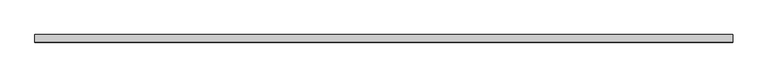
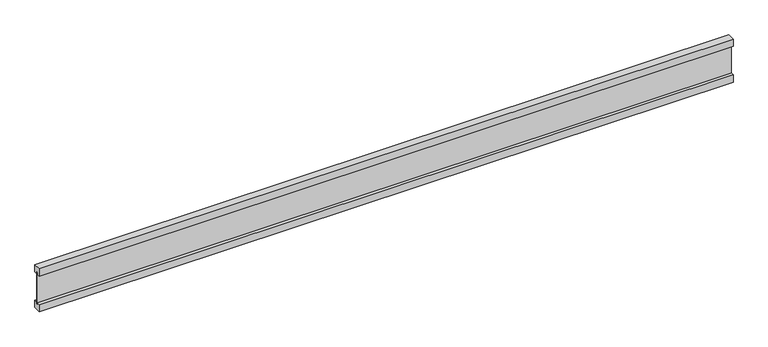
"""IFC4 building model written with IfcOpenShell, lengths in millimetres: proxy geometry."""

import ifcopenshell
import ifcopenshell.guid

model = None  # the IFC model being written
_history = None  # IfcOwnerHistory: only IFC2X3 demands one
_inside = {}  # id of a spatial element -> (the spatial element, [elements in it])
_under = {}  # id of a project, library or spatial element -> (it, [spatial elements below it])
_declared = {}  # id of a project -> (the project, [libraries it declares])
_typed = {}  # id of a type object -> (the type object, [elements of that type])
_made_of = {}  # id of a material, layer set ... -> (it, [elements and type objects made of it])


def new_model(schema):
    """Start an empty IFC model of exactly this schema.

    Asked for "IFC4X3", IfcOpenShell would pick the latest addendum, in which some entities
    have other attributes; the version numbers below select the first issue.
    IFC2X3 requires an IfcOwnerHistory on every rooted entity: one is made here for all.
    """
    global model, _history
    if schema == "IFC4X3":
        model = ifcopenshell.file(schema_version=(4, 3, 0, 0))
    else:
        model = ifcopenshell.file(schema=schema)
    _inside.clear()
    _under.clear()
    _declared.clear()
    _typed.clear()
    _made_of.clear()
    _history = None
    if model.schema == "IFC2X3":
        org = make("IfcOrganization", Name="unknown")
        user = make(
            "IfcPersonAndOrganization",
            ThePerson=make("IfcPerson", FamilyName="unknown"),
            TheOrganization=org,
        )
        app = make(
            "IfcApplication",
            ApplicationDeveloper=org,
            Version="unknown",
            ApplicationFullName="unknown",
            ApplicationIdentifier="unknown",
        )
        _history = make(
            "IfcOwnerHistory",
            OwningUser=user,
            OwningApplication=app,
            ChangeAction="ADDED",
            CreationDate=0,
        )
    return model


def make(cls, **values):
    """One entity of the class cls with the attributes given. An attribute that is None is left unset."""
    return model.create_entity(
        cls, **{name: value for name, value in values.items() if value is not None}
    )


def rooted(cls, **values):
    """An entity with a GlobalId (a new one), such as an element, a storey or a relation."""
    return make(cls, GlobalId=ifcopenshell.guid.new(), OwnerHistory=_history, **values)


def si_unit(unit_type, name, prefix=None):
    """IfcSIUnit, for example si_unit("LENGTHUNIT", "METRE", prefix="MILLI")."""
    return make("IfcSIUnit", UnitType=unit_type, Prefix=prefix, Name=name)


def assignment(units):
    """IfcUnitAssignment: the units of a project."""
    return None if units is None else make("IfcUnitAssignment", Units=units)


def point(xyz):
    """IfcCartesianPoint."""
    return None if xyz is None else make("IfcCartesianPoint", Coordinates=xyz)


def direction(xyz):
    """IfcDirection."""
    return None if xyz is None else make("IfcDirection", DirectionRatios=xyz)


def frame(location, z_axis=None, x_axis=None):
    """IfcAxis2Placement3D, a coordinate frame: its origin and axes. An axis left out is left unset."""
    return make(
        "IfcAxis2Placement3D",
        Location=point(location),
        Axis=direction(z_axis),
        RefDirection=direction(x_axis),
    )


def origin():
    """The frame at (0, 0, 0) with its axes left unset."""
    return frame((0.0, 0.0, 0.0))


def place(relative_to, where):
    """IfcLocalPlacement: puts the frame where relative to a parent placement (None: the world)."""
    return make(
        "IfcLocalPlacement", PlacementRelTo=relative_to, RelativePlacement=where
    )


def context(
    kind, dimensions, precision=None, world=None, true_north=None, identifier=None
):
    """IfcGeometricRepresentationContext, for example the 3D "Model" context."""
    return make(
        "IfcGeometricRepresentationContext",
        ContextIdentifier=identifier,
        ContextType=kind,
        CoordinateSpaceDimension=dimensions,
        Precision=precision,
        WorldCoordinateSystem=world,
        TrueNorth=true_north,
    )


def project(units=None, contexts=None):
    """IfcProject with its units and contexts."""
    return rooted(
        "IfcProject",
        Name="project",
        RepresentationContexts=contexts,
        UnitsInContext=assignment(units),
    )


def spatial(cls, under=None, at=None, **own):
    """A site, building, storey or space (cls), placed at a placement, below another one or the project."""
    s = rooted(cls, ObjectPlacement=at, **own)
    if under is not None:
        _under.setdefault(under.id(), (under, []))[1].append(s)
    return s


def polyline(points):
    """IfcPolyline through the points."""
    return make("IfcPolyline", Points=[point(p) for p in points])


def outline(outer, holes=None, kind="AREA"):
    """IfcArbitraryClosedProfileDef: a profile drawn as a closed curve; with holes, ...WithVoids."""
    if holes is None:
        return make("IfcArbitraryClosedProfileDef", ProfileType=kind, OuterCurve=outer)
    return make(
        "IfcArbitraryProfileDefWithVoids",
        ProfileType=kind,
        OuterCurve=outer,
        InnerCurves=holes,
    )


def extrude(swept, where, along, depth):
    """IfcExtrudedAreaSolid: the profile swept, set in the frame where, extruded along a direction by depth."""
    return make(
        "IfcExtrudedAreaSolid",
        SweptArea=swept,
        Position=where,
        ExtrudedDirection=direction(along),
        Depth=depth,
    )


def shape(context_of_items, identifier, shape_type, items):
    """IfcShapeRepresentation: the items that make up one representation, for example the "Body"."""
    return make(
        "IfcShapeRepresentation",
        ContextOfItems=context_of_items,
        RepresentationIdentifier=identifier,
        RepresentationType=shape_type,
        Items=items,
    )


def source(mapping_origin, context_of_items, identifier, shape_type, items):
    """IfcRepresentationMap: a shape defined once, which mapped items show again and again."""
    return make(
        "IfcRepresentationMap",
        MappingOrigin=mapping_origin,
        MappedRepresentation=shape(context_of_items, identifier, shape_type, items),
    )


def transform(
    local_origin,
    x_axis=None,
    y_axis=None,
    z_axis=None,
    scale=None,
    scale2=None,
    scale3=None,
    uniform=True,
):
    """IfcCartesianTransformationOperator3D, or its non-uniform kind. x_axis, y_axis, z_axis: its Axis1, 2, 3."""
    if uniform:
        return make(
            "IfcCartesianTransformationOperator3D",
            Axis1=direction(x_axis),
            Axis2=direction(y_axis),
            LocalOrigin=point(local_origin),
            Scale=scale,
            Axis3=direction(z_axis),
        )
    return make(
        "IfcCartesianTransformationOperator3DnonUniform",
        Axis1=direction(x_axis),
        Axis2=direction(y_axis),
        LocalOrigin=point(local_origin),
        Scale=scale,
        Axis3=direction(z_axis),
        Scale2=scale2,
        Scale3=scale3,
    )


def mapped(mapping_source, mapping_target):
    """IfcMappedItem: shows the shape of a source again, moved by a transform."""
    return make(
        "IfcMappedItem", MappingSource=mapping_source, MappingTarget=mapping_target
    )


def made_of(thing, what):
    """Note that an element or type object is made of a material, layer set ...; save() writes the relation."""
    if what is not None:
        _made_of.setdefault(what.id(), (what, []))[1].append(thing)
    return thing


def element(
    cls,
    number,
    at=None,
    inside=None,
    cuts=None,
    type_object=None,
    material=None,
    context=None,
    identifier="Body",
    shape_type=None,
    held_by="IfcProductDefinitionShape",
    body=None,
    shapes=None,
    **own,
):
    """One element of the class cls, such as IfcWall. Its Tag is "e" and its number.

    at: its placement. inside: the storey or other place that contains it. cuts: it is an
    opening in that element (IfcRelVoidsElement). A single representation is given by context,
    identifier, shape_type and body (its items); several are given by shapes. held_by: the class
    of the entity that holds the representations. save() writes the other relations.
    """
    e = rooted(cls, Tag="e%d" % number, ObjectPlacement=at, **own)
    if body is not None:
        shapes = [shape(context, identifier, shape_type, body)]
    if shapes is not None:
        e.Representation = make(held_by, Representations=shapes)
    if inside is not None:
        _inside.setdefault(inside.id(), (inside, []))[1].append(e)
    if cuts is not None:
        rooted(
            "IfcRelVoidsElement", RelatingBuildingElement=cuts, RelatedOpeningElement=e
        )
    if type_object is not None:
        _typed.setdefault(type_object.id(), (type_object, []))[1].append(e)
    return made_of(e, material)


def aggregate(whole, parts):
    """IfcRelAggregates: a whole, such as a stair, and the parts it consists of."""
    return rooted("IfcRelAggregates", RelatingObject=whole, RelatedObjects=parts)


def save(model, path):
    """Write the relations noted so far, then the file.

    IfcRelAggregates (storeys below a building ...), IfcRelContainedInSpatialStructure (elements
    in a storey), IfcRelDefinesByType, IfcRelAssociatesMaterial and IfcRelDeclares: one each for
    every whole, place, type object, material and project.
    """
    for whole, parts in _under.values():
        aggregate(whole, parts)
    for where, things in _inside.values():
        rooted(
            "IfcRelContainedInSpatialStructure",
            RelatedElements=things,
            RelatingStructure=where,
        )
    for kind, things in _typed.values():
        rooted("IfcRelDefinesByType", RelatedObjects=things, RelatingType=kind)
    for what, things in _made_of.values():
        rooted("IfcRelAssociatesMaterial", RelatedObjects=things, RelatingMaterial=what)
    for by, libraries in _declared.values():
        rooted("IfcRelDeclares", RelatingContext=by, RelatedDefinitions=libraries)
    model.write(path)


def generic_models_16bcf772(model_context):
    return source(origin(), model_context, "Body", "SweptSolid", [
        extrude(outline(polyline([(4600.0, 3.0), (4600.0, -3.0), (0.0, -3.0), (0.0, 3.0), (4600.0, 3.0)])), frame((0.0, 0.0, -262.0), z_axis=(0.0, 0.0, 1.0), x_axis=(1.0, 0.0, 0.0)), (0.0, 0.0, 1.0), 224.0),
        extrude(outline(polyline([(-25.0, 0.0), (25.0, 0.0), (25.0, -50.0), (3.0, -50.0), (3.0, -38.0), (-3.0, -38.0), (-3.0, -50.0), (-25.0, -50.0), (-25.0, 0.0)])), frame((0.0, 0.0, 0.0), z_axis=(1.0, 0.0, 0.0), x_axis=(0.0, 1.0, 0.0)), (0.0, 0.0, 1.0), 4600.0),
        extrude(outline(polyline([(-25.0, -300.0), (-25.0, -250.0), (-3.0, -250.0), (-3.0, -262.0), (3.0, -262.0), (3.0, -250.0), (25.0, -250.0), (25.0, -300.0), (-25.0, -300.0)])), frame((0.0, 0.0, 0.0), z_axis=(1.0, 0.0, 0.0), x_axis=(0.0, 1.0, 0.0)), (0.0, 0.0, 1.0), 4600.0),
    ])


if __name__ == "__main__":
    model = new_model("IFC4")
    model_context = context("Model", 3, world=origin())
    ifc_project = project(units=[si_unit("LENGTHUNIT", "METRE", prefix="MILLI")], contexts=[model_context])
    site = spatial("IfcSite", under=ifc_project)
    building = spatial("IfcBuilding", under=site)
    placement = place(None, origin())
    generic_models_shape = generic_models_16bcf772(model_context)
    element("IfcBuildingElementProxy", 1, Name="Generic Models", at=placement, inside=building, context=model_context, shape_type="MappedRepresentation", body=[
        mapped(generic_models_shape, transform((0.0, 0.0, 0.0), x_axis=(1.0, 0.0, 0.0), y_axis=(0.0, 1.0, 0.0), z_axis=(0.0, 0.0, 1.0))),
    ])
    save(model, "model.ifc")
